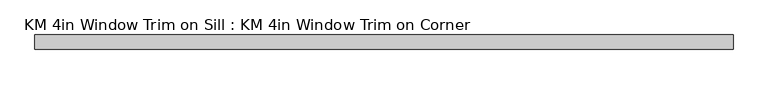
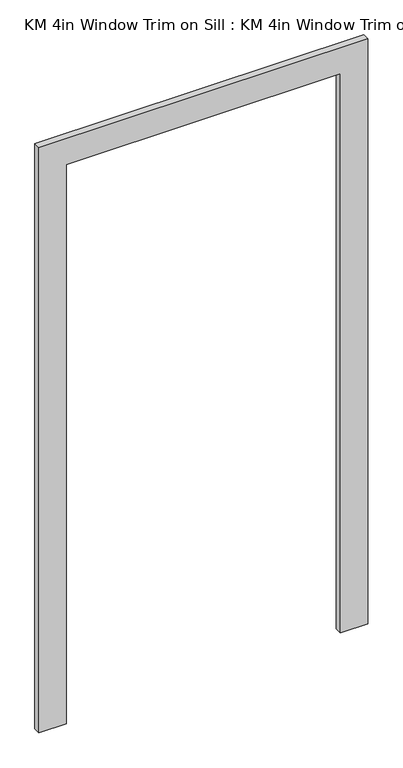
"""IFC4 building model written with IfcOpenShell, lengths in millimetres: proxy geometry, KM 4in Window Trim on Sill : KM 4in Window Trim on Corner."""

from ifc_helpers import new_model, si_unit, frame, origin, place, context, project, spatial, polyline, outline, extrude, source, transform, mapped, element, save


def km_4in_window_trim_on_sill_km_4in_window_trim_on_corner_570ac03b(model_context):
    return source(origin(), model_context, "Body", "SweptSolid", [
        extrude(outline(polyline([(3107.4944226, 508.0), (914.4, 508.0), (914.4, 609.6), (3209.0944226, 609.6), (3209.0944226, -609.6), (914.4, -609.6), (914.4, -508.0), (3107.4944226, -508.0), (3107.4944226, 508.0)])), frame((0.0, 57.15, 0.0), z_axis=(0.0, 1.0, 0.0), x_axis=(0.0, 0.0, 1.0)), (0.0, 0.0, 1.0), 25.4),
    ])


if __name__ == "__main__":
    model = new_model("IFC4")
    model_context = context("Model", 3, world=origin())
    ifc_project = project(units=[si_unit("LENGTHUNIT", "METRE", prefix="MILLI")], contexts=[model_context])
    site = spatial("IfcSite", under=ifc_project)
    building = spatial("IfcBuilding", under=site)
    placement = place(None, origin())
    km_4in_window_trim_on_sill_km_4in_window_trim_on_corner_shape = km_4in_window_trim_on_sill_km_4in_window_trim_on_corner_570ac03b(model_context)
    element("IfcBuildingElementProxy", 1, Name="KM 4in Window Trim on Sill : KM 4in Window Trim on Corner", ObjectType="KM 4in Window Trim on Sill : KM 4in Window Trim on Corner", at=placement, inside=building, context=model_context, shape_type="MappedRepresentation", body=[
        mapped(km_4in_window_trim_on_sill_km_4in_window_trim_on_corner_shape, transform((0.0, 0.0, 0.0), x_axis=(1.0, 0.0, 0.0), y_axis=(0.0, 1.0, 0.0), z_axis=(0.0, 0.0, 1.0))),
    ])
    save(model, "model.ifc")
